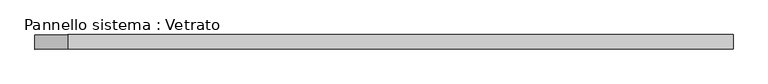
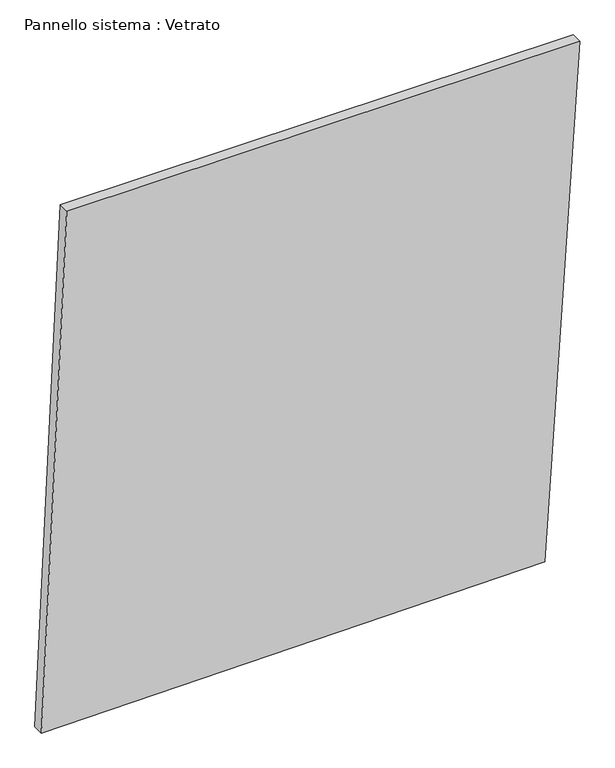
"""IFC4 building model written with IfcOpenShell, lengths in millimetres: plate geometry, Pannello sistema : Vetrato."""

from ifc_helpers import new_model, si_unit, frame, origin, place, context, project, spatial, polyline, outline, extrude, source, transform, mapped, element, save


def pannello_sistema_vetrato_30b084c9(model_context):
    return source(origin(), model_context, "Body", "SweptSolid", [
        extrude(outline(polyline([(0.0, -723.1198019), (13.6362492, 628.8650092), (1458.657228, 723.1198019), (1458.657228, -655.1350567), (0.0, -723.1198019)])), frame((0.0, -15.0, 0.0), z_axis=(0.0, 1.0, 0.0), x_axis=(0.0, 0.0, 1.0)), (0.0, 0.0, 1.0), 30.0),
    ])


if __name__ == "__main__":
    model = new_model("IFC4")
    model_context = context("Model", 3, world=origin())
    ifc_project = project(units=[si_unit("LENGTHUNIT", "METRE", prefix="MILLI")], contexts=[model_context])
    site = spatial("IfcSite", under=ifc_project)
    building = spatial("IfcBuilding", under=site)
    placement = place(None, origin())
    pannello_sistema_vetrato_shape = pannello_sistema_vetrato_30b084c9(model_context)
    element("IfcPlate", 1, ObjectType="Pannello sistema : Vetrato", at=placement, inside=building, context=model_context, shape_type="MappedRepresentation", body=[
        mapped(pannello_sistema_vetrato_shape, transform((0.0, 0.0, 0.0), x_axis=(1.0, 0.0, 0.0), y_axis=(0.0, 1.0, 0.0), z_axis=(0.0, 0.0, 1.0))),
    ])
    save(model, "model.ifc")
